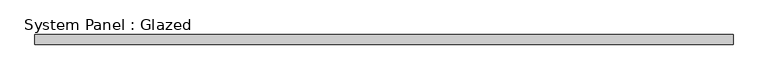
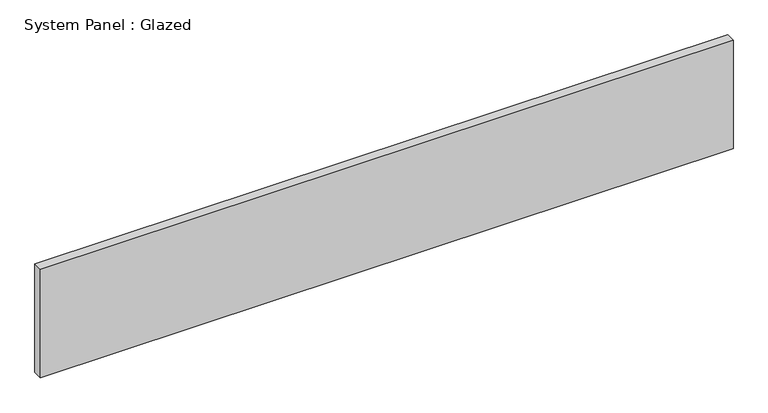
"""IFC4 building model written with IfcOpenShell, lengths in millimetres: plate geometry, System Panel : Glazed."""

from ifc_helpers import new_model, si_unit, origin, origin_with_axes, place, context, project, spatial, polyline, outline, extrude, source, transform, mapped, element, save


def system_panel_glazed_ff49712a(model_context):
    return source(origin(), model_context, "Body", "SweptSolid", [
        extrude(outline(polyline([(905.0, 24.5), (-905.0, 24.5), (-905.0, 49.5), (905.0, 49.5), (905.0, 24.5)])), origin_with_axes(), (0.0, 0.0, 1.0), 300.0),
    ])


if __name__ == "__main__":
    model = new_model("IFC4")
    model_context = context("Model", 3, world=origin())
    ifc_project = project(units=[si_unit("LENGTHUNIT", "METRE", prefix="MILLI")], contexts=[model_context])
    site = spatial("IfcSite", under=ifc_project)
    building = spatial("IfcBuilding", under=site)
    placement = place(None, origin())
    system_panel_glazed_shape = system_panel_glazed_ff49712a(model_context)
    element("IfcPlate", 1, ObjectType="System Panel : Glazed", at=placement, inside=building, context=model_context, shape_type="MappedRepresentation", body=[
        mapped(system_panel_glazed_shape, transform((0.0, 0.0, 0.0), x_axis=(1.0, 0.0, 0.0), y_axis=(0.0, 1.0, 0.0), z_axis=(0.0, 0.0, 1.0))),
    ])
    save(model, "model.ifc")
